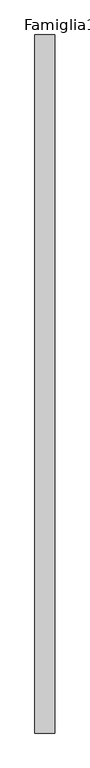
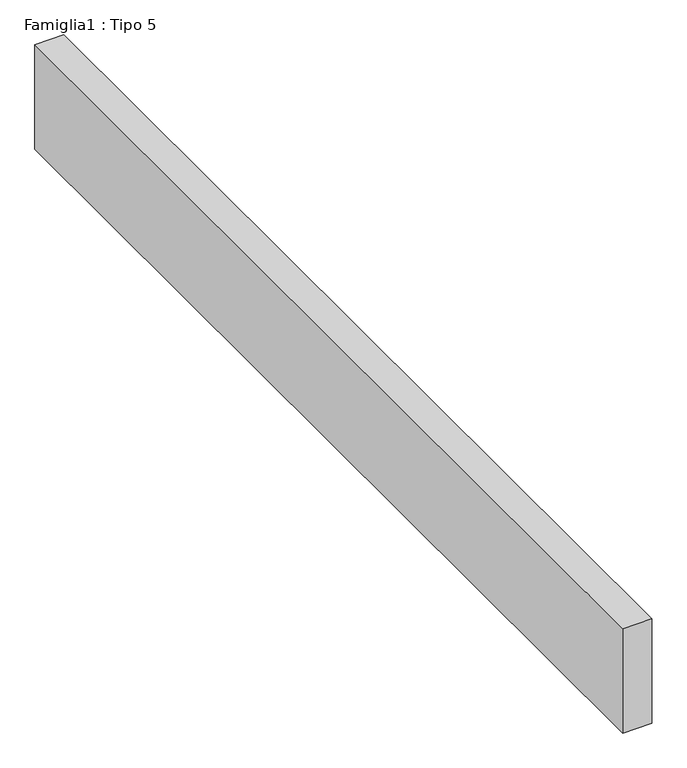
"""IFC4 building model written with IfcOpenShell, lengths in millimetres: proxy geometry, Famiglia1 : Tipo 5."""

import ifcopenshell
import ifcopenshell.guid

model = None  # the IFC model being written
_history = None  # IfcOwnerHistory: only IFC2X3 demands one
_inside = {}  # id of a spatial element -> (the spatial element, [elements in it])
_under = {}  # id of a project, library or spatial element -> (it, [spatial elements below it])
_declared = {}  # id of a project -> (the project, [libraries it declares])
_typed = {}  # id of a type object -> (the type object, [elements of that type])
_made_of = {}  # id of a material, layer set ... -> (it, [elements and type objects made of it])


def new_model(schema):
    """Start an empty IFC model of exactly this schema.

    Asked for "IFC4X3", IfcOpenShell would pick the latest addendum, in which some entities
    have other attributes; the version numbers below select the first issue.
    IFC2X3 requires an IfcOwnerHistory on every rooted entity: one is made here for all.
    """
    global model, _history
    if schema == "IFC4X3":
        model = ifcopenshell.file(schema_version=(4, 3, 0, 0))
    else:
        model = ifcopenshell.file(schema=schema)
    _inside.clear()
    _under.clear()
    _declared.clear()
    _typed.clear()
    _made_of.clear()
    _history = None
    if model.schema == "IFC2X3":
        org = make("IfcOrganization", Name="unknown")
        user = make(
            "IfcPersonAndOrganization",
            ThePerson=make("IfcPerson", FamilyName="unknown"),
            TheOrganization=org,
        )
        app = make(
            "IfcApplication",
            ApplicationDeveloper=org,
            Version="unknown",
            ApplicationFullName="unknown",
            ApplicationIdentifier="unknown",
        )
        _history = make(
            "IfcOwnerHistory",
            OwningUser=user,
            OwningApplication=app,
            ChangeAction="ADDED",
            CreationDate=0,
        )
    return model


def make(cls, **values):
    """One entity of the class cls with the attributes given. An attribute that is None is left unset."""
    return model.create_entity(
        cls, **{name: value for name, value in values.items() if value is not None}
    )


def rooted(cls, **values):
    """An entity with a GlobalId (a new one), such as an element, a storey or a relation."""
    return make(cls, GlobalId=ifcopenshell.guid.new(), OwnerHistory=_history, **values)


def si_unit(unit_type, name, prefix=None):
    """IfcSIUnit, for example si_unit("LENGTHUNIT", "METRE", prefix="MILLI")."""
    return make("IfcSIUnit", UnitType=unit_type, Prefix=prefix, Name=name)


def assignment(units):
    """IfcUnitAssignment: the units of a project."""
    return None if units is None else make("IfcUnitAssignment", Units=units)


def point(xyz):
    """IfcCartesianPoint."""
    return None if xyz is None else make("IfcCartesianPoint", Coordinates=xyz)


def direction(xyz):
    """IfcDirection."""
    return None if xyz is None else make("IfcDirection", DirectionRatios=xyz)


def frame(location, z_axis=None, x_axis=None):
    """IfcAxis2Placement3D, a coordinate frame: its origin and axes. An axis left out is left unset."""
    return make(
        "IfcAxis2Placement3D",
        Location=point(location),
        Axis=direction(z_axis),
        RefDirection=direction(x_axis),
    )


def origin():
    """The frame at (0, 0, 0) with its axes left unset."""
    return frame((0.0, 0.0, 0.0))


def origin_with_axes():
    """The frame at (0, 0, 0) with the z axis (0, 0, 1) and the x axis (1, 0, 0) written out."""
    return frame((0.0, 0.0, 0.0), z_axis=(0.0, 0.0, 1.0), x_axis=(1.0, 0.0, 0.0))


def place(relative_to, where):
    """IfcLocalPlacement: puts the frame where relative to a parent placement (None: the world)."""
    return make(
        "IfcLocalPlacement", PlacementRelTo=relative_to, RelativePlacement=where
    )


def context(
    kind, dimensions, precision=None, world=None, true_north=None, identifier=None
):
    """IfcGeometricRepresentationContext, for example the 3D "Model" context."""
    return make(
        "IfcGeometricRepresentationContext",
        ContextIdentifier=identifier,
        ContextType=kind,
        CoordinateSpaceDimension=dimensions,
        Precision=precision,
        WorldCoordinateSystem=world,
        TrueNorth=true_north,
    )


def project(units=None, contexts=None):
    """IfcProject with its units and contexts."""
    return rooted(
        "IfcProject",
        Name="project",
        RepresentationContexts=contexts,
        UnitsInContext=assignment(units),
    )


def spatial(cls, under=None, at=None, **own):
    """A site, building, storey or space (cls), placed at a placement, below another one or the project."""
    s = rooted(cls, ObjectPlacement=at, **own)
    if under is not None:
        _under.setdefault(under.id(), (under, []))[1].append(s)
    return s


def polyline(points):
    """IfcPolyline through the points."""
    return make("IfcPolyline", Points=[point(p) for p in points])


def outline(outer, holes=None, kind="AREA"):
    """IfcArbitraryClosedProfileDef: a profile drawn as a closed curve; with holes, ...WithVoids."""
    if holes is None:
        return make("IfcArbitraryClosedProfileDef", ProfileType=kind, OuterCurve=outer)
    return make(
        "IfcArbitraryProfileDefWithVoids",
        ProfileType=kind,
        OuterCurve=outer,
        InnerCurves=holes,
    )


def extrude(swept, where, along, depth):
    """IfcExtrudedAreaSolid: the profile swept, set in the frame where, extruded along a direction by depth."""
    return make(
        "IfcExtrudedAreaSolid",
        SweptArea=swept,
        Position=where,
        ExtrudedDirection=direction(along),
        Depth=depth,
    )


def shape(context_of_items, identifier, shape_type, items):
    """IfcShapeRepresentation: the items that make up one representation, for example the "Body"."""
    return make(
        "IfcShapeRepresentation",
        ContextOfItems=context_of_items,
        RepresentationIdentifier=identifier,
        RepresentationType=shape_type,
        Items=items,
    )


def source(mapping_origin, context_of_items, identifier, shape_type, items):
    """IfcRepresentationMap: a shape defined once, which mapped items show again and again."""
    return make(
        "IfcRepresentationMap",
        MappingOrigin=mapping_origin,
        MappedRepresentation=shape(context_of_items, identifier, shape_type, items),
    )


def transform(
    local_origin,
    x_axis=None,
    y_axis=None,
    z_axis=None,
    scale=None,
    scale2=None,
    scale3=None,
    uniform=True,
):
    """IfcCartesianTransformationOperator3D, or its non-uniform kind. x_axis, y_axis, z_axis: its Axis1, 2, 3."""
    if uniform:
        return make(
            "IfcCartesianTransformationOperator3D",
            Axis1=direction(x_axis),
            Axis2=direction(y_axis),
            LocalOrigin=point(local_origin),
            Scale=scale,
            Axis3=direction(z_axis),
        )
    return make(
        "IfcCartesianTransformationOperator3DnonUniform",
        Axis1=direction(x_axis),
        Axis2=direction(y_axis),
        LocalOrigin=point(local_origin),
        Scale=scale,
        Axis3=direction(z_axis),
        Scale2=scale2,
        Scale3=scale3,
    )


def mapped(mapping_source, mapping_target):
    """IfcMappedItem: shows the shape of a source again, moved by a transform."""
    return make(
        "IfcMappedItem", MappingSource=mapping_source, MappingTarget=mapping_target
    )


def made_of(thing, what):
    """Note that an element or type object is made of a material, layer set ...; save() writes the relation."""
    if what is not None:
        _made_of.setdefault(what.id(), (what, []))[1].append(thing)
    return thing


def element(
    cls,
    number,
    at=None,
    inside=None,
    cuts=None,
    type_object=None,
    material=None,
    context=None,
    identifier="Body",
    shape_type=None,
    held_by="IfcProductDefinitionShape",
    body=None,
    shapes=None,
    **own,
):
    """One element of the class cls, such as IfcWall. Its Tag is "e" and its number.

    at: its placement. inside: the storey or other place that contains it. cuts: it is an
    opening in that element (IfcRelVoidsElement). A single representation is given by context,
    identifier, shape_type and body (its items); several are given by shapes. held_by: the class
    of the entity that holds the representations. save() writes the other relations.
    """
    e = rooted(cls, Tag="e%d" % number, ObjectPlacement=at, **own)
    if body is not None:
        shapes = [shape(context, identifier, shape_type, body)]
    if shapes is not None:
        e.Representation = make(held_by, Representations=shapes)
    if inside is not None:
        _inside.setdefault(inside.id(), (inside, []))[1].append(e)
    if cuts is not None:
        rooted(
            "IfcRelVoidsElement", RelatingBuildingElement=cuts, RelatedOpeningElement=e
        )
    if type_object is not None:
        _typed.setdefault(type_object.id(), (type_object, []))[1].append(e)
    return made_of(e, material)


def aggregate(whole, parts):
    """IfcRelAggregates: a whole, such as a stair, and the parts it consists of."""
    return rooted("IfcRelAggregates", RelatingObject=whole, RelatedObjects=parts)


def save(model, path):
    """Write the relations noted so far, then the file.

    IfcRelAggregates (storeys below a building ...), IfcRelContainedInSpatialStructure (elements
    in a storey), IfcRelDefinesByType, IfcRelAssociatesMaterial and IfcRelDeclares: one each for
    every whole, place, type object, material and project.
    """
    for whole, parts in _under.values():
        aggregate(whole, parts)
    for where, things in _inside.values():
        rooted(
            "IfcRelContainedInSpatialStructure",
            RelatedElements=things,
            RelatingStructure=where,
        )
    for kind, things in _typed.values():
        rooted("IfcRelDefinesByType", RelatedObjects=things, RelatingType=kind)
    for what, things in _made_of.values():
        rooted("IfcRelAssociatesMaterial", RelatedObjects=things, RelatingMaterial=what)
    for by, libraries in _declared.values():
        rooted("IfcRelDeclares", RelatingContext=by, RelatedDefinitions=libraries)
    model.write(path)


def famiglia1_tipo_5_b336521d(model_context):
    return source(origin(), model_context, "Body", "SweptSolid", [
        extrude(outline(polyline([(1000.0, 35000.0), (1000.0, 0.0), (0.0, 0.0), (0.0, 35000.0), (1000.0, 35000.0)])), origin_with_axes(), (0.0, 0.0, 1.0), 3800.0),
    ])


if __name__ == "__main__":
    model = new_model("IFC4")
    model_context = context("Model", 3, world=origin())
    ifc_project = project(units=[si_unit("LENGTHUNIT", "METRE", prefix="MILLI")], contexts=[model_context])
    site = spatial("IfcSite", under=ifc_project)
    building = spatial("IfcBuilding", under=site)
    placement = place(None, origin())
    famiglia1_tipo_5_shape = famiglia1_tipo_5_b336521d(model_context)
    element("IfcBuildingElementProxy", 1, Name="Famiglia1 : Tipo 5", ObjectType="Famiglia1 : Tipo 5", at=placement, inside=building, context=model_context, shape_type="MappedRepresentation", body=[
        mapped(famiglia1_tipo_5_shape, transform((0.0, 0.0, 0.0), x_axis=(1.0, 0.0, 0.0), y_axis=(0.0, 1.0, 0.0), z_axis=(0.0, 0.0, 1.0))),
    ])
    save(model, "model.ifc")
